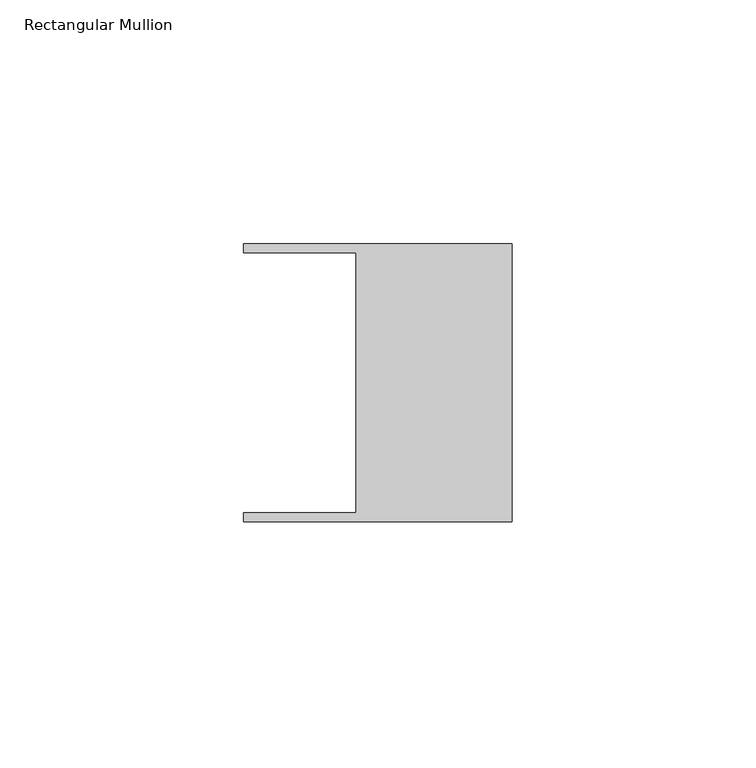
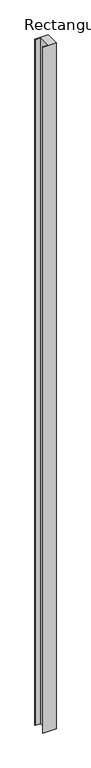
"""IFC4 building model written with IfcOpenShell, lengths in millimetres: member geometry, Rectangular Mullion."""

from ifc_helpers import new_model, si_unit, frame, origin, place, context, project, spatial, polyline, outline, extrude, source, transform, mapped, element, save


def rectangular_mullion_18644fb8(model_context):
    return source(origin(), model_context, "Body", "SweptSolid", [
        extrude(outline(polyline([(-32.004, -26.67), (-32.004, 26.67), (-54.991, 26.67), (-54.991, 28.448), (0.0, 28.448), (0.0, -28.448), (-54.991, -28.448), (-54.991, -26.67), (-32.004, -26.67)])), frame((0.0, 0.0, -3013.520228), z_axis=(0.0, 0.0, 1.0), x_axis=(1.0, 0.0, 0.0)), (0.0, 0.0, 1.0), 3013.520228),
    ])


if __name__ == "__main__":
    model = new_model("IFC4")
    model_context = context("Model", 3, world=origin())
    ifc_project = project(units=[si_unit("LENGTHUNIT", "METRE", prefix="MILLI")], contexts=[model_context])
    site = spatial("IfcSite", under=ifc_project)
    building = spatial("IfcBuilding", under=site)
    placement = place(None, origin())
    rectangular_mullion_shape = rectangular_mullion_18644fb8(model_context)
    element("IfcMember", 1, ObjectType="Rectangular Mullion", at=placement, inside=building, context=model_context, shape_type="MappedRepresentation", body=[
        mapped(rectangular_mullion_shape, transform((0.0, 0.0, 0.0), x_axis=(1.0, 0.0, 0.0), y_axis=(0.0, 1.0, 0.0), z_axis=(0.0, 0.0, 1.0))),
    ])
    save(model, "model.ifc")
